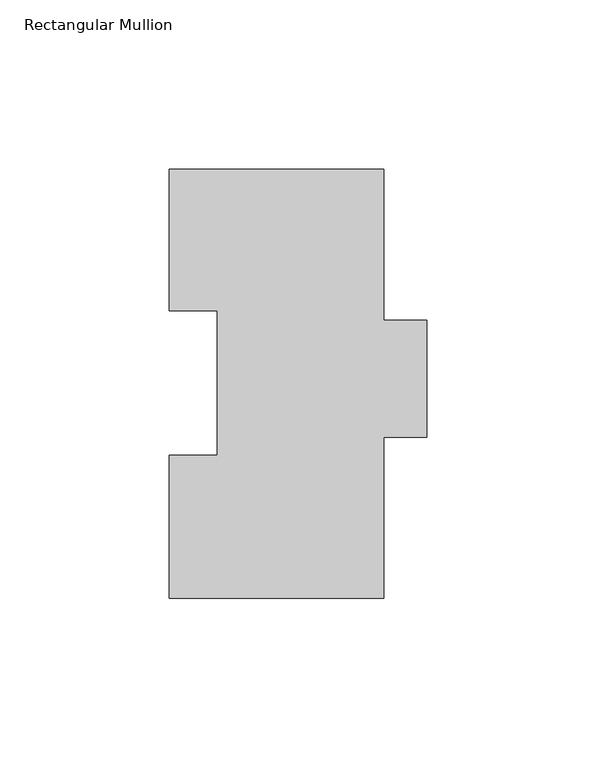
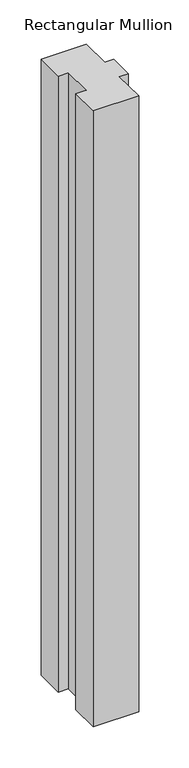
"""IFC4 building model written with IfcOpenShell, lengths in millimetres: member geometry, Rectangular Mullion."""

from ifc_helpers import new_model, si_unit, frame, origin, place, context, project, spatial, polyline, outline, extrude, source, transform, mapped, element, save


def rectangular_mullion_a8cabef0(model_context):
    return source(origin(), model_context, "Body", "SweptSolid", [
        extrude(outline(polyline([(-31.75, 126.9888875), (31.75, 126.9888875), (31.75, 82.2848875), (44.45, 82.2848875), (44.45, 47.6138875), (31.75, 47.6138875), (31.75, -0.0111125), (-31.75, -0.0111125), (-31.75, 42.2798875), (-17.4625, 42.2798875), (-17.4625, 85.1296875), (-31.75, 85.1296875), (-31.75, 126.9888875)])), frame((0.0, 0.0, -914.4), z_axis=(0.0, 0.0, 1.0), x_axis=(1.0, 0.0, 0.0)), (0.0, 0.0, 1.0), 914.4),
    ])


if __name__ == "__main__":
    model = new_model("IFC4")
    model_context = context("Model", 3, world=origin())
    ifc_project = project(units=[si_unit("LENGTHUNIT", "METRE", prefix="MILLI")], contexts=[model_context])
    site = spatial("IfcSite", under=ifc_project)
    building = spatial("IfcBuilding", under=site)
    placement = place(None, origin())
    rectangular_mullion_shape = rectangular_mullion_a8cabef0(model_context)
    element("IfcMember", 1, ObjectType="Rectangular Mullion", at=placement, inside=building, context=model_context, shape_type="MappedRepresentation", body=[
        mapped(rectangular_mullion_shape, transform((0.0, 0.0, 0.0), x_axis=(1.0, 0.0, 0.0), y_axis=(0.0, 1.0, 0.0), z_axis=(0.0, 0.0, 1.0))),
    ])
    save(model, "model.ifc")
